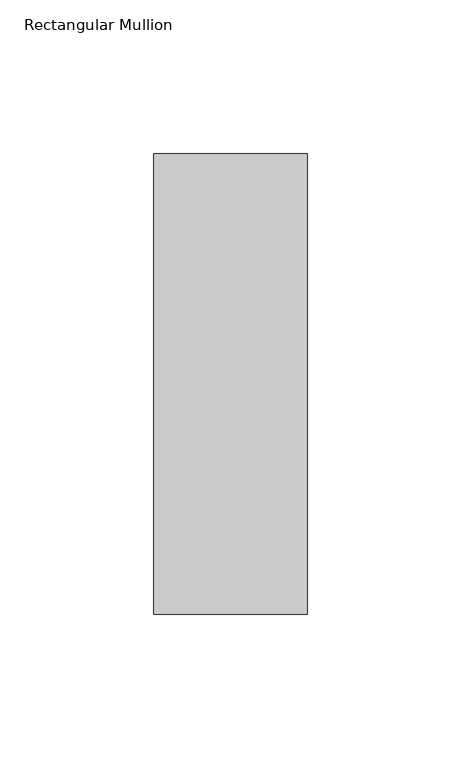
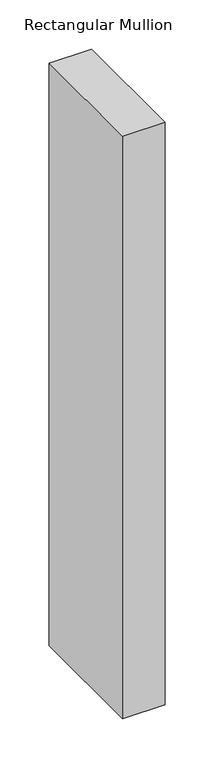
"""IFC4 building model written with IfcOpenShell, lengths in millimetres: member geometry, Rectangular Mullion."""

import ifcopenshell
import ifcopenshell.guid

model = None  # the IFC model being written
_history = None  # IfcOwnerHistory: only IFC2X3 demands one
_inside = {}  # id of a spatial element -> (the spatial element, [elements in it])
_under = {}  # id of a project, library or spatial element -> (it, [spatial elements below it])
_declared = {}  # id of a project -> (the project, [libraries it declares])
_typed = {}  # id of a type object -> (the type object, [elements of that type])
_made_of = {}  # id of a material, layer set ... -> (it, [elements and type objects made of it])


def new_model(schema):
    """Start an empty IFC model of exactly this schema.

    Asked for "IFC4X3", IfcOpenShell would pick the latest addendum, in which some entities
    have other attributes; the version numbers below select the first issue.
    IFC2X3 requires an IfcOwnerHistory on every rooted entity: one is made here for all.
    """
    global model, _history
    if schema == "IFC4X3":
        model = ifcopenshell.file(schema_version=(4, 3, 0, 0))
    else:
        model = ifcopenshell.file(schema=schema)
    _inside.clear()
    _under.clear()
    _declared.clear()
    _typed.clear()
    _made_of.clear()
    _history = None
    if model.schema == "IFC2X3":
        org = make("IfcOrganization", Name="unknown")
        user = make(
            "IfcPersonAndOrganization",
            ThePerson=make("IfcPerson", FamilyName="unknown"),
            TheOrganization=org,
        )
        app = make(
            "IfcApplication",
            ApplicationDeveloper=org,
            Version="unknown",
            ApplicationFullName="unknown",
            ApplicationIdentifier="unknown",
        )
        _history = make(
            "IfcOwnerHistory",
            OwningUser=user,
            OwningApplication=app,
            ChangeAction="ADDED",
            CreationDate=0,
        )
    return model


def make(cls, **values):
    """One entity of the class cls with the attributes given. An attribute that is None is left unset."""
    return model.create_entity(
        cls, **{name: value for name, value in values.items() if value is not None}
    )


def rooted(cls, **values):
    """An entity with a GlobalId (a new one), such as an element, a storey or a relation."""
    return make(cls, GlobalId=ifcopenshell.guid.new(), OwnerHistory=_history, **values)


def si_unit(unit_type, name, prefix=None):
    """IfcSIUnit, for example si_unit("LENGTHUNIT", "METRE", prefix="MILLI")."""
    return make("IfcSIUnit", UnitType=unit_type, Prefix=prefix, Name=name)


def assignment(units):
    """IfcUnitAssignment: the units of a project."""
    return None if units is None else make("IfcUnitAssignment", Units=units)


def point(xyz):
    """IfcCartesianPoint."""
    return None if xyz is None else make("IfcCartesianPoint", Coordinates=xyz)


def direction(xyz):
    """IfcDirection."""
    return None if xyz is None else make("IfcDirection", DirectionRatios=xyz)


def frame(location, z_axis=None, x_axis=None):
    """IfcAxis2Placement3D, a coordinate frame: its origin and axes. An axis left out is left unset."""
    return make(
        "IfcAxis2Placement3D",
        Location=point(location),
        Axis=direction(z_axis),
        RefDirection=direction(x_axis),
    )


def origin():
    """The frame at (0, 0, 0) with its axes left unset."""
    return frame((0.0, 0.0, 0.0))


def place(relative_to, where):
    """IfcLocalPlacement: puts the frame where relative to a parent placement (None: the world)."""
    return make(
        "IfcLocalPlacement", PlacementRelTo=relative_to, RelativePlacement=where
    )


def context(
    kind, dimensions, precision=None, world=None, true_north=None, identifier=None
):
    """IfcGeometricRepresentationContext, for example the 3D "Model" context."""
    return make(
        "IfcGeometricRepresentationContext",
        ContextIdentifier=identifier,
        ContextType=kind,
        CoordinateSpaceDimension=dimensions,
        Precision=precision,
        WorldCoordinateSystem=world,
        TrueNorth=true_north,
    )


def project(units=None, contexts=None):
    """IfcProject with its units and contexts."""
    return rooted(
        "IfcProject",
        Name="project",
        RepresentationContexts=contexts,
        UnitsInContext=assignment(units),
    )


def spatial(cls, under=None, at=None, **own):
    """A site, building, storey or space (cls), placed at a placement, below another one or the project."""
    s = rooted(cls, ObjectPlacement=at, **own)
    if under is not None:
        _under.setdefault(under.id(), (under, []))[1].append(s)
    return s


def polyline(points):
    """IfcPolyline through the points."""
    return make("IfcPolyline", Points=[point(p) for p in points])


def outline(outer, holes=None, kind="AREA"):
    """IfcArbitraryClosedProfileDef: a profile drawn as a closed curve; with holes, ...WithVoids."""
    if holes is None:
        return make("IfcArbitraryClosedProfileDef", ProfileType=kind, OuterCurve=outer)
    return make(
        "IfcArbitraryProfileDefWithVoids",
        ProfileType=kind,
        OuterCurve=outer,
        InnerCurves=holes,
    )


def extrude(swept, where, along, depth):
    """IfcExtrudedAreaSolid: the profile swept, set in the frame where, extruded along a direction by depth."""
    return make(
        "IfcExtrudedAreaSolid",
        SweptArea=swept,
        Position=where,
        ExtrudedDirection=direction(along),
        Depth=depth,
    )


def shape(context_of_items, identifier, shape_type, items):
    """IfcShapeRepresentation: the items that make up one representation, for example the "Body"."""
    return make(
        "IfcShapeRepresentation",
        ContextOfItems=context_of_items,
        RepresentationIdentifier=identifier,
        RepresentationType=shape_type,
        Items=items,
    )


def source(mapping_origin, context_of_items, identifier, shape_type, items):
    """IfcRepresentationMap: a shape defined once, which mapped items show again and again."""
    return make(
        "IfcRepresentationMap",
        MappingOrigin=mapping_origin,
        MappedRepresentation=shape(context_of_items, identifier, shape_type, items),
    )


def transform(
    local_origin,
    x_axis=None,
    y_axis=None,
    z_axis=None,
    scale=None,
    scale2=None,
    scale3=None,
    uniform=True,
):
    """IfcCartesianTransformationOperator3D, or its non-uniform kind. x_axis, y_axis, z_axis: its Axis1, 2, 3."""
    if uniform:
        return make(
            "IfcCartesianTransformationOperator3D",
            Axis1=direction(x_axis),
            Axis2=direction(y_axis),
            LocalOrigin=point(local_origin),
            Scale=scale,
            Axis3=direction(z_axis),
        )
    return make(
        "IfcCartesianTransformationOperator3DnonUniform",
        Axis1=direction(x_axis),
        Axis2=direction(y_axis),
        LocalOrigin=point(local_origin),
        Scale=scale,
        Axis3=direction(z_axis),
        Scale2=scale2,
        Scale3=scale3,
    )


def mapped(mapping_source, mapping_target):
    """IfcMappedItem: shows the shape of a source again, moved by a transform."""
    return make(
        "IfcMappedItem", MappingSource=mapping_source, MappingTarget=mapping_target
    )


def made_of(thing, what):
    """Note that an element or type object is made of a material, layer set ...; save() writes the relation."""
    if what is not None:
        _made_of.setdefault(what.id(), (what, []))[1].append(thing)
    return thing


def element(
    cls,
    number,
    at=None,
    inside=None,
    cuts=None,
    type_object=None,
    material=None,
    context=None,
    identifier="Body",
    shape_type=None,
    held_by="IfcProductDefinitionShape",
    body=None,
    shapes=None,
    **own,
):
    """One element of the class cls, such as IfcWall. Its Tag is "e" and its number.

    at: its placement. inside: the storey or other place that contains it. cuts: it is an
    opening in that element (IfcRelVoidsElement). A single representation is given by context,
    identifier, shape_type and body (its items); several are given by shapes. held_by: the class
    of the entity that holds the representations. save() writes the other relations.
    """
    e = rooted(cls, Tag="e%d" % number, ObjectPlacement=at, **own)
    if body is not None:
        shapes = [shape(context, identifier, shape_type, body)]
    if shapes is not None:
        e.Representation = make(held_by, Representations=shapes)
    if inside is not None:
        _inside.setdefault(inside.id(), (inside, []))[1].append(e)
    if cuts is not None:
        rooted(
            "IfcRelVoidsElement", RelatingBuildingElement=cuts, RelatedOpeningElement=e
        )
    if type_object is not None:
        _typed.setdefault(type_object.id(), (type_object, []))[1].append(e)
    return made_of(e, material)


def aggregate(whole, parts):
    """IfcRelAggregates: a whole, such as a stair, and the parts it consists of."""
    return rooted("IfcRelAggregates", RelatingObject=whole, RelatedObjects=parts)


def save(model, path):
    """Write the relations noted so far, then the file.

    IfcRelAggregates (storeys below a building ...), IfcRelContainedInSpatialStructure (elements
    in a storey), IfcRelDefinesByType, IfcRelAssociatesMaterial and IfcRelDeclares: one each for
    every whole, place, type object, material and project.
    """
    for whole, parts in _under.values():
        aggregate(whole, parts)
    for where, things in _inside.values():
        rooted(
            "IfcRelContainedInSpatialStructure",
            RelatedElements=things,
            RelatingStructure=where,
        )
    for kind, things in _typed.values():
        rooted("IfcRelDefinesByType", RelatedObjects=things, RelatingType=kind)
    for what, things in _made_of.values():
        rooted("IfcRelAssociatesMaterial", RelatedObjects=things, RelatingMaterial=what)
    for by, libraries in _declared.values():
        rooted("IfcRelDeclares", RelatingContext=by, RelatedDefinitions=libraries)
    model.write(path)


def rectangular_mullion_74263cd1(model_context):
    return source(origin(), model_context, "Body", "SweptSolid", [
        extrude(outline(polyline([(0.0, 75.0), (0.0, -75.0), (-50.0, -75.0), (-50.0, 75.0), (0.0, 75.0)])), frame((0.0, 0.0, -725.0), z_axis=(0.0, 0.0, 1.0), x_axis=(1.0, 0.0, 0.0)), (0.0, 0.0, 1.0), 725.0),
    ])


if __name__ == "__main__":
    model = new_model("IFC4")
    model_context = context("Model", 3, world=origin())
    ifc_project = project(units=[si_unit("LENGTHUNIT", "METRE", prefix="MILLI")], contexts=[model_context])
    site = spatial("IfcSite", under=ifc_project)
    building = spatial("IfcBuilding", under=site)
    placement = place(None, origin())
    rectangular_mullion_shape = rectangular_mullion_74263cd1(model_context)
    element("IfcMember", 1, ObjectType="Rectangular Mullion", at=placement, inside=building, context=model_context, shape_type="MappedRepresentation", body=[
        mapped(rectangular_mullion_shape, transform((0.0, 0.0, 0.0), x_axis=(1.0, 0.0, 0.0), y_axis=(0.0, 1.0, 0.0), z_axis=(0.0, 0.0, 1.0))),
    ])
    save(model, "model.ifc")
